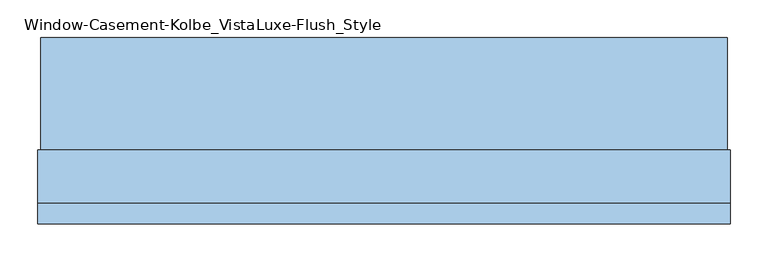
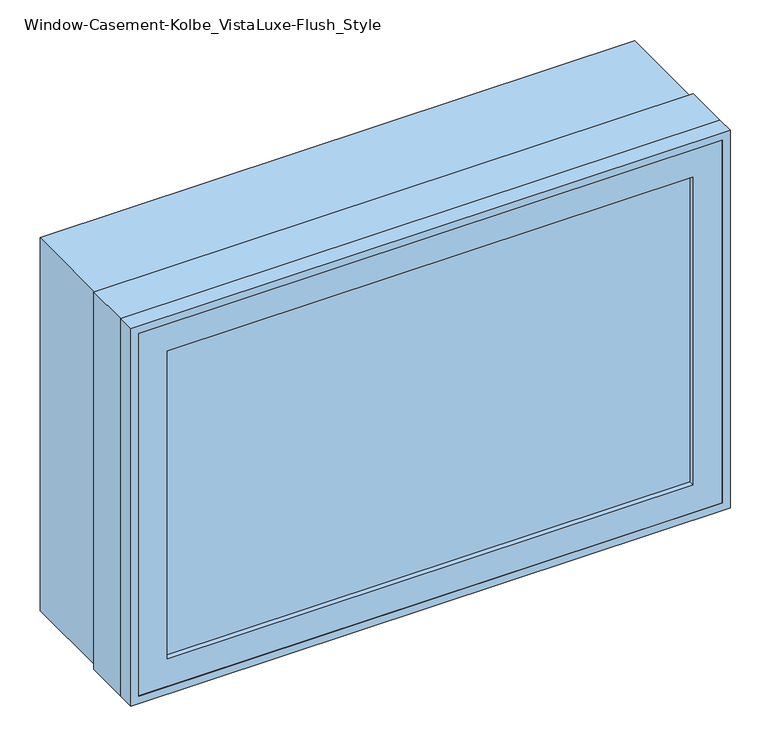
"""IFC4 building model written with IfcOpenShell, lengths in millimetres: window geometry, Window-Casement-Kolbe_VistaLuxe-Flush_Style."""

from ifc_helpers import new_model, si_unit, frame, origin, place, context, project, spatial, polyline, outline, extrude, faceted_brep, source, transform, mapped, element, save


def window_casement_kolbe_vistaluxe_flush_style_4659fd26(model_context):
    return source(origin(), model_context, "Body", "SolidModel", [
        faceted_brep([(-406.4696599, -127.72898, 970.676875), (-406.4696599, -135.66648, 970.676875), (395.3765901, -135.66648, 970.676875), (395.3765901, -127.72898, 970.676875), (-422.3446599, -105.47858, 954.801875), (-422.3446599, -127.72898, 954.801875), (411.2515901, -127.72898, 954.801875), (411.2515901, -105.47858, 954.801875), (-406.4696599, -86.45398, 970.676875), (-406.4696599, -105.47858, 970.676875), (395.3765901, -105.47858, 970.676875), (395.3765901, -86.45398, 970.676875), (-450.9196599, -135.66648, 926.226875), (-450.9196599, -86.45398, 926.226875), (439.8265901, -86.45398, 926.226875), (439.8265901, -135.66648, 926.226875), (395.3765901, -135.66648, 1467.723125), (395.3765901, -127.72898, 1467.723125), (411.2515901, -127.72898, 1483.598125), (411.2515901, -105.47858, 1483.598125), (395.3765901, -105.47858, 1467.723125), (395.3765901, -86.45398, 1467.723125), (439.8265901, -86.45398, 1512.173125), (439.8265901, -135.66648, 1512.173125), (-406.4696599, -135.66648, 1467.723125), (-406.4696599, -127.72898, 1467.723125), (-422.3446599, -127.72898, 1483.598125), (-422.3446599, -105.47858, 1483.598125), (-406.4696599, -105.47858, 1467.723125), (-406.4696599, -86.45398, 1467.723125), (-450.9196599, -86.45398, 1512.173125), (-450.9196599, -135.66648, 1512.173125)], [[[0, 1, 2, 3]], [[4, 5, 6, 7]], [[8, 9, 10, 11]], [[12, 13, 14, 15]], [[3, 2, 16, 17]], [[7, 6, 18, 19]], [[11, 10, 20, 21]], [[15, 14, 22, 23]], [[17, 16, 24, 25]], [[19, 18, 26, 27]], [[21, 20, 28, 29]], [[23, 22, 30, 31]], [[25, 24, 1, 0]], [[5, 26, 18, 6], [3, 17, 25, 0]], [[27, 26, 5, 4]], [[7, 19, 27, 4], [9, 28, 20, 10]], [[29, 28, 9, 8]], [[13, 30, 22, 14], [11, 21, 29, 8]], [[31, 30, 13, 12]], [[15, 23, 31, 12], [1, 24, 16, 2]]]),
        extrude(outline(polyline([(1520.4186, 448.0720651), (1520.4186, -459.1651349), (917.9814, -459.1651349), (917.9814, 448.0720651), (1520.4186, 448.0720651)]), holes=[polyline([(936.545625, 429.5078401), (936.545625, -440.6009099), (1501.854375, -440.6009099), (1501.854375, 429.5078401), (936.545625, 429.5078401)])]), frame((0.0, -38.8747, 0.0), z_axis=(0.0, 1.0, 0.0), x_axis=(0.0, 0.0, 1.0)), (0.0, 0.0, 1.0), 148.4122),
        extrude(outline(polyline([(1524.0, -462.7465349), (914.4, -462.7465349), (914.4, 451.6534651), (1524.0, 451.6534651), (1524.0, -462.7465349)]), holes=[polyline([(1512.173125, 439.8265901), (926.226875, 439.8265901), (926.226875, -450.9196599), (1512.173125, -450.9196599), (1512.173125, 439.8265901)])]), frame((0.0, -136.4615, 0.0), z_axis=(0.0, 1.0, 0.0), x_axis=(0.0, 0.0, 1.0)), (0.0, 0.0, 1.0), 26.924),
        faceted_brep([(451.6534651, -38.8747, 914.4), (451.6534651, -109.5375, 914.4), (-462.7465349, -109.5375, 914.4), (-462.7465349, -38.8747, 914.4), (429.5078401, -86.45525, 936.545625), (429.5078401, -38.8747, 936.545625), (-440.6009099, -38.8747, 936.545625), (-440.6009099, -86.45525, 936.545625), (439.8265901, -109.5375, 926.226875), (439.8265901, -86.45525, 926.226875), (-450.9196599, -86.45525, 926.226875), (-450.9196599, -109.5375, 926.226875), (-462.7465349, -109.5375, 1524.0), (-462.7465349, -38.8747, 1524.0), (-440.6009099, -38.8747, 1501.854375), (-440.6009099, -86.45525, 1501.854375), (-450.9196599, -86.45525, 1512.173125), (-450.9196599, -109.5375, 1512.173125), (451.6534651, -109.5375, 1524.0), (451.6534651, -38.8747, 1524.0), (429.5078401, -38.8747, 1501.854375), (429.5078401, -86.45525, 1501.854375), (439.8265901, -86.45525, 1512.173125), (439.8265901, -109.5375, 1512.173125)], [[[0, 1, 2, 3]], [[4, 5, 6, 7]], [[8, 9, 10, 11]], [[3, 2, 12, 13]], [[7, 6, 14, 15]], [[11, 10, 16, 17]], [[13, 12, 18, 19]], [[15, 14, 20, 21]], [[17, 16, 22, 23]], [[19, 18, 1, 0]], [[3, 13, 19, 0], [5, 20, 14, 6]], [[21, 20, 5, 4]], [[9, 22, 16, 10], [7, 15, 21, 4]], [[23, 22, 9, 8]], [[1, 18, 12, 2], [11, 17, 23, 8]]]),
        extrude(outline(polyline([(408.0765901, -108.65358), (-419.1696599, -108.65358), (-419.1696599, -105.47858), (408.0765901, -105.47858), (408.0765901, -108.65358)])), frame((0.0, 0.0, 957.976875), z_axis=(0.0, 0.0, 1.0), x_axis=(1.0, 0.0, 0.0)), (0.0, 0.0, 1.0), 522.44625),
        extrude(outline(polyline([(408.0765901, -124.55398), (408.0765901, -127.72898), (-419.1696599, -127.72898), (-419.1696599, -124.55398), (408.0765901, -124.55398)])), frame((0.0, 0.0, 957.976875), z_axis=(0.0, 0.0, 1.0), x_axis=(1.0, 0.0, 0.0)), (0.0, 0.0, 1.0), 522.44625),
        extrude(outline(polyline([(936.545625, 429.5078401), (1501.854375, 429.5078401), (1501.854375, -440.6009099), (936.545625, -440.6009099), (936.545625, 429.5078401)]), holes=[polyline([(954.801875, -422.3446599), (1483.598125, -422.3446599), (1483.598125, 411.2515901), (954.801875, 411.2515901), (954.801875, -422.3446599)])]), frame((0.0, -86.45525, 0.0), z_axis=(0.0, 1.0, 0.0), x_axis=(0.0, 0.0, 1.0)), (0.0, 0.0, 1.0), 50.8),
    ])


if __name__ == "__main__":
    model = new_model("IFC4")
    model_context = context("Model", 3, world=origin())
    ifc_project = project(units=[si_unit("LENGTHUNIT", "METRE", prefix="MILLI")], contexts=[model_context])
    site = spatial("IfcSite", under=ifc_project)
    building = spatial("IfcBuilding", under=site)
    placement = place(None, origin())
    window_casement_kolbe_vistaluxe_flush_style_shape = window_casement_kolbe_vistaluxe_flush_style_4659fd26(model_context)
    element("IfcWindow", 1, ObjectType="Window-Casement-Kolbe_VistaLuxe-Flush_Style", at=placement, inside=building, context=model_context, shape_type="MappedRepresentation", body=[
        mapped(window_casement_kolbe_vistaluxe_flush_style_shape, transform((0.0, 0.0, 0.0), x_axis=(1.0, 0.0, 0.0), y_axis=(0.0, 1.0, 0.0), z_axis=(0.0, 0.0, 1.0))),
    ])
    save(model, "model.ifc")
